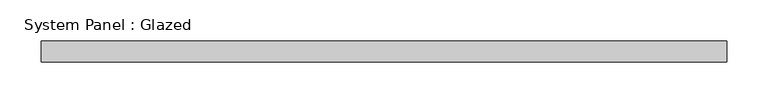
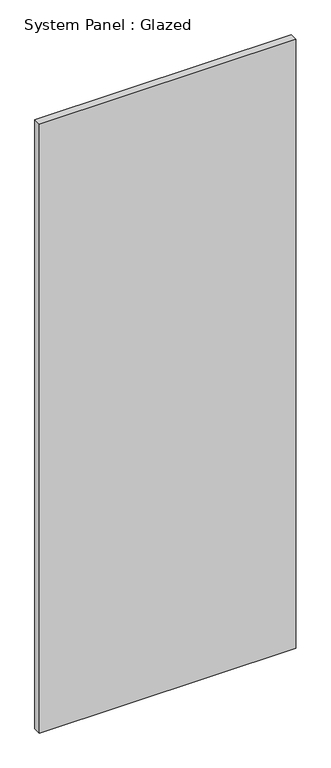
"""IFC4 building model written with IfcOpenShell, lengths in millimetres: plate geometry, System Panel : Glazed."""

from ifc_helpers import new_model, si_unit, origin, origin_with_axes, place, context, project, spatial, polyline, outline, extrude, source, transform, mapped, element, save


def system_panel_glazed_aea807da(model_context):
    return source(origin(), model_context, "Body", "SweptSolid", [
        extrude(outline(polyline([(413.3351528, 19.05), (-413.3351528, 19.05), (-413.3351528, 44.45), (413.3351528, 44.45), (413.3351528, 19.05)])), origin_with_axes(), (0.0, 0.0, 1.0), 2076.45),
    ])


if __name__ == "__main__":
    model = new_model("IFC4")
    model_context = context("Model", 3, world=origin())
    ifc_project = project(units=[si_unit("LENGTHUNIT", "METRE", prefix="MILLI")], contexts=[model_context])
    site = spatial("IfcSite", under=ifc_project)
    building = spatial("IfcBuilding", under=site)
    placement = place(None, origin())
    system_panel_glazed_shape = system_panel_glazed_aea807da(model_context)
    element("IfcPlate", 1, ObjectType="System Panel : Glazed", at=placement, inside=building, context=model_context, shape_type="MappedRepresentation", body=[
        mapped(system_panel_glazed_shape, transform((0.0, 0.0, 0.0), x_axis=(1.0, 0.0, 0.0), y_axis=(0.0, 1.0, 0.0), z_axis=(0.0, 0.0, 1.0))),
    ])
    save(model, "model.ifc")
